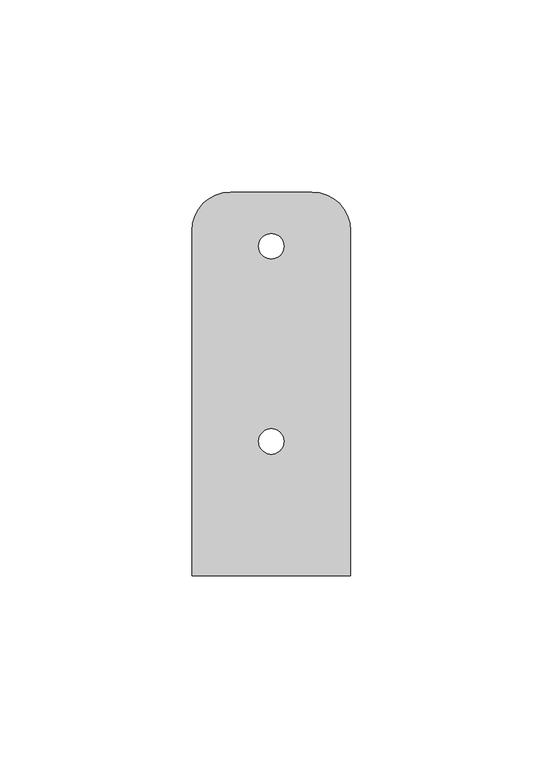
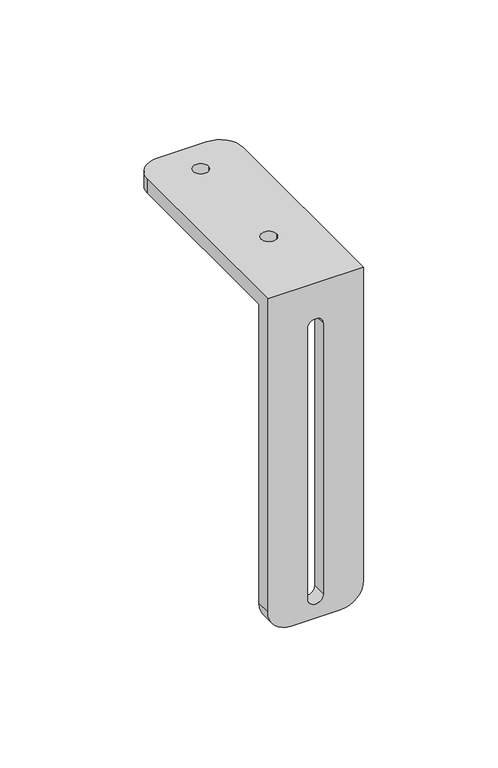
"""IFC4 building model written with IfcOpenShell, lengths in millimetres: proxy geometry."""

from ifc_helpers import new_model, si_unit, frame, origin, place, context, project, spatial, polyline, circle_curve, source, transform, mapped, element, save
from ifc_brep_helpers import plane_surface, cylinder_surface, revolved_surface, advanced_brep


def generic_models_2edffd49(model_context):
    return source(origin(), model_context, "Body", "AdvancedBrep", [
        advanced_brep(
        [(-20.6375, -14.691, -136.05), (-10.6375, -14.691, -146.05), (10.6375, -14.691, -146.05), (20.6375, -14.691, -136.05), (20.6375, -14.691, 6.35), (-20.6375, -14.691, 6.35), (-3.3, -14.691, -136.4), (-3.3, -14.691, -13.21), (3.3, -14.691, -13.21), (3.3, -14.691, -136.4), (-20.6375, -8.341, -136.05), (-20.6375, -8.341, 0.0), (20.6375, -8.341, 0.0), (20.6375, -8.341, -136.05), (10.6375, -8.341, -146.05), (-10.6375, -8.341, -146.05), (-3.3, -8.341, -136.4), (3.3, -8.341, -136.4), (3.3, -8.341, -13.21), (-3.3, -8.341, -13.21), (-20.6375, 75.09, 6.35), (-20.6375, 75.09, 0.0), (20.6375, 75.09, 0.0), (20.6375, 75.09, 6.35), (10.6375, 85.09, 6.35), (-10.6375, 85.09, 6.35), (-3.302, 71.0341094, 6.35), (3.302, 71.0341094, 6.35), (-3.302, 20.2341094, 6.35), (3.302, 20.2341094, 6.35), (10.6375, 85.09, 0.0), (-10.6375, 85.09, 0.0), (-3.302, 71.0341094, 0.0), (3.302, 71.0341094, 0.0), (-3.302, 20.2341094, 0.0), (3.302, 20.2341094, 0.0)],
        [
            (0, 1, circle_curve(frame((-10.6375, -14.691, -136.05), z_axis=(0.0, -1.0, 0.0), x_axis=(1.0, 0.0, 0.0)), 10.0)),
            (1, 2),
            (2, 3, circle_curve(frame((10.6375, -14.691, -136.05), z_axis=(0.0, -1.0, 0.0), x_axis=(1.0, 0.0, 0.0)), 10.0)),
            (3, 4),
            (4, 5),
            (5, 0),
            (6, 7),
            (7, 8, circle_curve(frame((0.0, -14.691, -13.21), z_axis=(0.0, 1.0, 0.0), x_axis=(1.0, 0.0, 0.0)), 3.3)),
            (8, 9),
            (9, 6, circle_curve(frame((0.0, -14.691, -136.4), z_axis=(0.0, 1.0, 0.0), x_axis=(1.0, 0.0, 0.0)), 3.3)),
            (10, 11),
            (11, 12),
            (12, 13),
            (13, 14, circle_curve(frame((10.6375, -8.341, -136.05), z_axis=(0.0, 1.0, 0.0), x_axis=(1.0, 0.0, 0.0)), 10.0)),
            (14, 15),
            (15, 10, circle_curve(frame((-10.6375, -8.341, -136.05), z_axis=(0.0, 1.0, 0.0), x_axis=(1.0, 0.0, 0.0)), 10.0)),
            (16, 17, circle_curve(frame((0.0, -8.341, -136.4), z_axis=(0.0, -1.0, 0.0), x_axis=(1.0, 0.0, 0.0)), 3.3)),
            (17, 18),
            (18, 19, circle_curve(frame((0.0, -8.341, -13.21), z_axis=(0.0, -1.0, 0.0), x_axis=(1.0, 0.0, 0.0)), 3.3)),
            (19, 16),
            (5, 20),
            (20, 21),
            (21, 11),
            (10, 0),
            (3, 13),
            (12, 22),
            (22, 23),
            (23, 4),
            (2, 14),
            (1, 15),
            (9, 17),
            (16, 6),
            (8, 18),
            (7, 19),
            (24, 25),
            (25, 20, circle_curve(frame((-10.6375, 75.09, 6.35), z_axis=(0.0, 0.0, 1.0), x_axis=(-1.0, 0.0, 0.0)), 10.0)),
            (23, 24, circle_curve(frame((10.6375, 75.09, 6.35), z_axis=(0.0, 0.0, 1.0), x_axis=(-1.0, 0.0, 0.0)), 10.0)),
            (26, 27, circle_curve(frame((0.0, 71.0341094, 6.35), z_axis=(0.0, 0.0, -1.0), x_axis=(1.0, 0.0, 0.0)), 3.302)),
            (27, 26, circle_curve(frame((0.0, 71.0341094, 6.35), z_axis=(0.0, 0.0, -1.0), x_axis=(1.0, 0.0, 0.0)), 3.302)),
            (28, 29, circle_curve(frame((0.0, 20.2341094, 6.35), z_axis=(0.0, 0.0, -1.0), x_axis=(1.0, 0.0, 0.0)), 3.302)),
            (29, 28, circle_curve(frame((0.0, 20.2341094, 6.35), z_axis=(0.0, 0.0, -1.0), x_axis=(1.0, 0.0, 0.0)), 3.302)),
            (30, 22, circle_curve(frame((10.6375, 75.09, 0.0), z_axis=(0.0, 0.0, -1.0), x_axis=(-1.0, 0.0, 0.0)), 10.0)),
            (21, 31, circle_curve(frame((-10.6375, 75.09, 0.0), z_axis=(0.0, 0.0, -1.0), x_axis=(-1.0, 0.0, 0.0)), 10.0)),
            (31, 30),
            (32, 33, circle_curve(frame((0.0, 71.0341094, 0.0), z_axis=(0.0, 0.0, 1.0), x_axis=(1.0, 0.0, 0.0)), 3.302)),
            (33, 32, circle_curve(frame((0.0, 71.0341094, 0.0), z_axis=(0.0, 0.0, 1.0), x_axis=(1.0, 0.0, 0.0)), 3.302)),
            (34, 35, circle_curve(frame((0.0, 20.2341094, 0.0), z_axis=(0.0, 0.0, 1.0), x_axis=(1.0, 0.0, 0.0)), 3.302)),
            (35, 34, circle_curve(frame((0.0, 20.2341094, 0.0), z_axis=(0.0, 0.0, 1.0), x_axis=(1.0, 0.0, 0.0)), 3.302)),
            (24, 30),
            (31, 25),
            (26, 32),
            (33, 27),
            (28, 34),
            (35, 29),
        ],
        [
            plane_surface(frame((-20.6375, -14.691, -0.5), z_axis=(0.0, -1.0, 0.0), x_axis=(0.0, 0.0, -1.0))),
            plane_surface(frame((-20.6375, -8.341, -0.5), z_axis=(0.0, 1.0, 0.0), x_axis=(0.0, 0.0, 1.0))),
            plane_surface(frame((-20.6375, -8.341, -136.05), z_axis=(-1.0, 0.0, 0.0), x_axis=(0.0, -1.0, 0.0))),
            plane_surface(frame((20.6375, -8.341, 0.0), z_axis=(1.0, 0.0, 0.0), x_axis=(0.0, -1.0, 0.0))),
            cylinder_surface(frame((10.6375, -14.691, -136.05), z_axis=(0.0, 1.0, 0.0), x_axis=(1.0, 0.0, 0.0)), 10.0),
            plane_surface(frame((10.6375, -8.341, -146.05), z_axis=(0.0, 0.0, -1.0), x_axis=(0.0, -1.0, 0.0))),
            cylinder_surface(frame((-10.6375, -14.691, -136.05), z_axis=(0.0, 1.0, 0.0), x_axis=(1.0, 0.0, 0.0)), 10.0),
            revolved_surface(polyline([(3.3, -14.691, -136.4), (3.3, -8.341, -136.4)]), (0.0, -14.691, -136.4), (0.0, -1.0, 0.0)),
            plane_surface(frame((3.3, -8.341, -136.4), z_axis=(-1.0, 0.0, 0.0), x_axis=(0.0, -1.0, 0.0))),
            revolved_surface(polyline([(3.3, -14.691, -13.21), (3.3, -8.341, -13.21)]), (0.0, -14.691, -13.21), (0.0, -1.0, 0.0)),
            plane_surface(frame((-3.3, -8.341, -13.21), z_axis=(1.0, 0.0, 0.0), x_axis=(0.0, -1.0, 0.0))),
            plane_surface(frame((-10.6375, 85.09, 6.35), z_axis=(0.0, 0.0, 1.0), x_axis=(-1.0, 0.0, 0.0))),
            plane_surface(frame((-10.6375, 85.09, 0.0), z_axis=(0.0, 0.0, -1.0), x_axis=(1.0, 0.0, 0.0))),
            plane_surface(frame((10.6375, 85.09, 6.35), z_axis=(0.0, 1.0, 0.0), x_axis=(0.0, 0.0, -1.0))),
            cylinder_surface(frame((-10.6375, 75.09, 0.0), z_axis=(0.0, 0.0, 1.0), x_axis=(-1.0, 0.0, 0.0)), 10.0),
            cylinder_surface(frame((10.6375, 75.09, 0.0), z_axis=(0.0, 0.0, 1.0), x_axis=(-1.0, 0.0, 0.0)), 10.0),
            revolved_surface(polyline([(3.302, 71.0341094, 0.0), (3.302, 71.0341094, 6.35)]), (0.0, 71.0341094, 0.0), (0.0, 0.0, -1.0)),
            revolved_surface(polyline([(3.302, 20.2341094, 0.0), (3.302, 20.2341094, 6.35)]), (0.0, 20.2341094, 0.0), (0.0, 0.0, -1.0)),
        ],
        [
            (0, [[1, 2, 3, 4, 5, 6], [7, 8, 9, 10]]),
            (1, [[11, 12, 13, 14, 15, 16], [17, 18, 19, 20]]),
            (2, [[-6, 21, 22, 23, -11, 24]]),
            (3, [[-4, 25, -13, 26, 27, 28]]),
            (4, [[-3, 29, -14, -25]]),
            (5, [[-2, 30, -15, -29]]),
            (6, [[-1, -24, -16, -30]]),
            (7, [[-10, 31, -17, 32]]),
            (8, [[-9, 33, -18, -31]]),
            (9, [[-8, 34, -19, -33]]),
            (10, [[-7, -32, -20, -34]]),
            (11, [[35, 36, -21, -5, -28, 37], [38, 39], [40, 41]]),
            (12, [[42, -26, -12, -23, 43, 44], [45, 46], [47, 48]]),
            (13, [[-35, 49, -44, 50]]),
            (14, [[-36, -50, -43, -22]]),
            (15, [[-37, -27, -42, -49]]),
            (16, [[-38, 51, -46, 52]]),
            (16, [[-39, -52, -45, -51]]),
            (17, [[-40, 53, -48, 54]]),
            (17, [[-41, -54, -47, -53]]),
        ],
    ),
    ])


if __name__ == "__main__":
    model = new_model("IFC4")
    model_context = context("Model", 3, world=origin())
    ifc_project = project(units=[si_unit("LENGTHUNIT", "METRE", prefix="MILLI")], contexts=[model_context])
    site = spatial("IfcSite", under=ifc_project)
    building = spatial("IfcBuilding", under=site)
    placement = place(None, origin())
    generic_models_shape = generic_models_2edffd49(model_context)
    element("IfcBuildingElementProxy", 1, Name="Generic Models", at=placement, inside=building, context=model_context, shape_type="MappedRepresentation", body=[
        mapped(generic_models_shape, transform((0.0, 0.0, 0.0), x_axis=(1.0, 0.0, 0.0), y_axis=(0.0, 1.0, 0.0), z_axis=(0.0, 0.0, 1.0))),
    ])
    save(model, "model.ifc")
